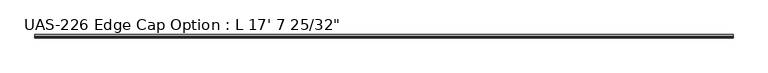
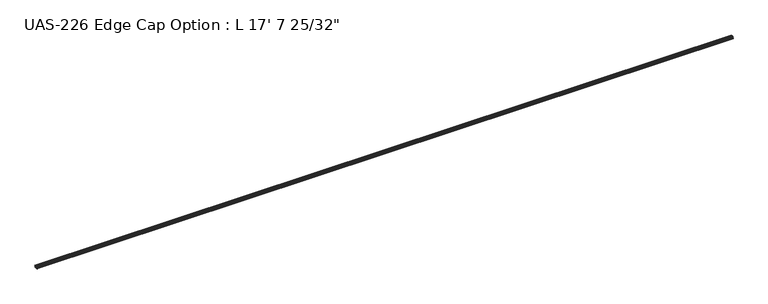
"""IFC4 building model written with IfcOpenShell, lengths in millimetres: proxy geometry."""

from ifc_helpers import new_model, si_unit, point, frame, frame_2d, origin, place, context, project, spatial, polyline, circle_curve, trimmed, segment, composite_curve, outline, extrude, source, transform, mapped, element, save


def proxy_e24325d7(model_context):
    return source(origin(), model_context, "Body", "SweptSolid", [
        extrude(outline(composite_curve([segment(polyline([(17.4625, 14.2875), (17.4625, 13.0669574)]), True, "CONTINUOUS"), segment(trimmed(circle_curve(frame_2d((16.8643401, 13.0669574)), 0.5981599), [point((17.4625, 13.0669574))], [point((16.8643401, 12.4687975))], False, "CARTESIAN"), True, "CONTINUOUS"), segment(polyline([(16.8643401, 12.4687975), (16.0695796, 12.4687975), (15.3115968, 12.7297919), (14.5536141, 12.4687975), (13.7956313, 12.7297919), (13.0376485, 12.4687975), (12.2796658, 12.7297919), (11.521683, 12.4687975), (10.663699, 12.7297919), (9.9057162, 12.4687975), (8.6330061, 12.7), (1.0753761, 12.7), (1.0753761, 9.525), (0.8202123, 8.7839503), (0.8202123, 7.0910497), (1.0753761, 6.35), (1.0753761, 3.175), (8.6330061, 3.175), (9.9057162, 3.4062025), (10.663699, 3.1452081), (11.521683, 3.4062025), (12.2796658, 3.1452081), (13.0376485, 3.4062025), (13.7956313, 3.1452081), (14.5536141, 3.4062025), (15.3115968, 3.1452081), (16.0695796, 3.4062025), (16.8643401, 3.4062025)]), True, "CONTINUOUS"), segment(trimmed(circle_curve(frame_2d((16.8643401, 2.8080426)), 0.5981599), [point((16.8643401, 3.4062025))], [point((17.4625, 2.8080426))], False, "CARTESIAN"), True, "CONTINUOUS"), segment(polyline([(17.4625, 2.8080426), (17.4625, 1.5875), (5.1965261, 1.5875)]), True, "CONTINUOUS"), segment(trimmed(circle_curve(frame_2d((3.6090261, 1.5875)), 1.5875), [point((5.1965261, 1.5875))], [point((3.6090261, 0.0))], False, "CARTESIAN"), True, "CONTINUOUS"), segment(trimmed(circle_curve(frame_2d((3.6090261, 1.5875)), 1.5875), [point((3.6090261, 0.0))], [point((2.0215261, 1.5875))], False, "CARTESIAN"), True, "CONTINUOUS"), segment(polyline([(2.0215261, 1.5875), (-2.1567739, 1.5875)]), True, "CONTINUOUS"), segment(trimmed(circle_curve(frame_2d((-3.7442739, 1.5875)), 1.5875), [point((-2.1567739, 1.5875))], [point((-3.7442739, 0.0))], False, "CARTESIAN"), True, "CONTINUOUS"), segment(trimmed(circle_curve(frame_2d((-3.7442739, 1.5875)), 1.5875), [point((-3.7442739, 0.0))], [point((-5.3317739, 1.5875))], False, "CARTESIAN"), True, "CONTINUOUS"), segment(polyline([(-5.3317739, 1.5875), (-9.5227739, 1.5875), (-9.5227739, 3.175), (-0.4486239, 3.175), (-0.4486239, 12.7), (-9.5227739, 12.7), (-9.5227739, 14.2875), (-5.3317739, 14.2875)]), True, "CONTINUOUS"), segment(trimmed(circle_curve(frame_2d((-3.7442739, 14.2875)), 1.5875), [point((-5.3317739, 14.2875))], [point((-3.7442739, 15.875))], False, "CARTESIAN"), True, "CONTINUOUS"), segment(trimmed(circle_curve(frame_2d((-3.7442739, 14.2875)), 1.5875), [point((-3.7442739, 15.875))], [point((-2.1567739, 14.2875))], False, "CARTESIAN"), True, "CONTINUOUS"), segment(polyline([(-2.1567739, 14.2875), (2.0215261, 14.2875)]), True, "CONTINUOUS"), segment(trimmed(circle_curve(frame_2d((3.6090261, 14.2875)), 1.5875), [point((2.0215261, 14.2875))], [point((3.6090261, 15.875))], False, "CARTESIAN"), True, "CONTINUOUS"), segment(trimmed(circle_curve(frame_2d((3.6090261, 14.2875)), 1.5875), [point((3.6090261, 15.875))], [point((5.1965261, 14.2875))], False, "CARTESIAN"), True, "CONTINUOUS"), segment(polyline([(5.1965261, 14.2875), (17.4625, 14.2875)]), True, "CONTINUOUS")], self_intersect=False)), frame((0.0, 0.0, 0.0), z_axis=(1.0, 0.0, 0.0), x_axis=(0.0, 1.0, 0.0)), (0.0, 0.0, 1.0), 5379.24375),
    ])


if __name__ == "__main__":
    model = new_model("IFC4")
    model_context = context("Model", 3, world=origin())
    ifc_project = project(units=[si_unit("LENGTHUNIT", "METRE", prefix="MILLI")], contexts=[model_context])
    site = spatial("IfcSite", under=ifc_project)
    building = spatial("IfcBuilding", under=site)
    placement = place(None, origin())
    proxy_shape = proxy_e24325d7(model_context)
    element("IfcBuildingElementProxy", 1, Name="UAS-226 Edge Cap Option : L 17' 7 25/32\"", ObjectType="UAS-226 Edge Cap Option : L 17' 7 25/32\"", at=placement, inside=building, context=model_context, shape_type="MappedRepresentation", body=[
        mapped(proxy_shape, transform((0.0, 0.0, 0.0), x_axis=(1.0, 0.0, 0.0), y_axis=(0.0, 1.0, 0.0), z_axis=(0.0, 0.0, 1.0))),
    ])
    save(model, "model.ifc")
